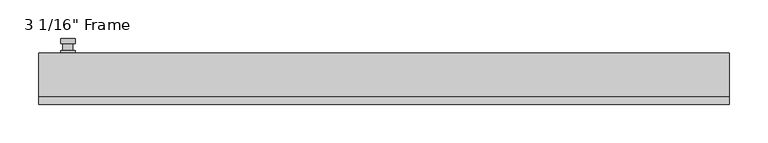
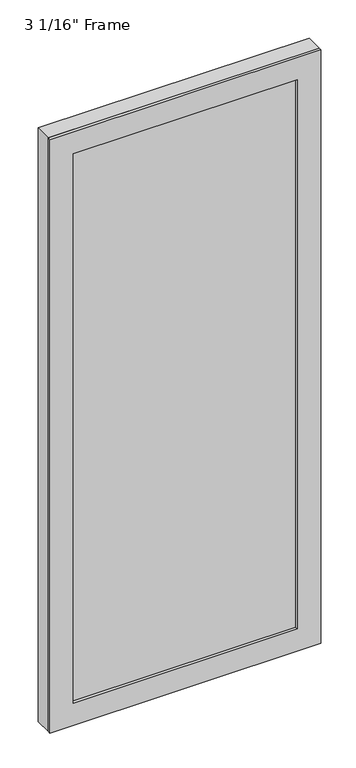
"""IFC4 building model written with IfcOpenShell, lengths in millimetres: plate geometry."""

from ifc_helpers import new_model, si_unit, frame, origin, place, context, project, spatial, polyline, circle_curve, outline, extrude, faceted_brep, source, transform, mapped, element, save
from ifc_brep_helpers import plane_surface, cylinder_surface, advanced_brep


def plate_1c948141(model_context):
    return source(origin(), model_context, "Body", "SolidModel", [
        advanced_brep(
        [(-400.685, 33.3375, 927.1), (-419.735, 33.3375, 927.1), (-419.735, 33.3375, 901.7), (-400.685, 33.3375, 901.7), (-403.86, 46.0375, 914.4), (-403.86, 36.5125, 914.4), (-416.56, 36.5125, 914.4), (-416.56, 46.0375, 914.4), (-400.685, 46.0375, 914.4), (-419.735, 46.0375, 914.4), (-416.5559644, 46.0375, 825.2736467), (-403.8640356, 46.0375, 825.2736467), (-400.685, 52.3875, 914.4), (-403.8640356, 52.3875, 825.2736467), (-416.5559644, 52.3875, 825.2736467), (-419.735, 52.3875, 914.4), (-400.685, 36.5125, 927.1), (-400.685, 36.5125, 901.7), (-419.735, 36.5125, 901.7), (-419.735, 36.5125, 927.1)],
        [
            (0, 1, circle_curve(frame((-410.21, 33.3375, 927.1), z_axis=(0.0, -1.0, 0.0), x_axis=(-1.0, 0.0, 0.0)), 9.525)),
            (1, 2),
            (2, 3, circle_curve(frame((-410.21, 33.3375, 901.7), z_axis=(0.0, -1.0, 0.0), x_axis=(-1.0, 0.0, 0.0)), 9.525)),
            (3, 0),
            (4, 5),
            (5, 6, circle_curve(frame((-410.21, 36.5125, 914.4), z_axis=(0.0, 1.0, 0.0), x_axis=(-1.0, 0.0, 0.0)), 6.35)),
            (6, 7),
            (7, 4, circle_curve(frame((-410.21, 46.0375, 914.4), z_axis=(0.0, -1.0, 0.0), x_axis=(-1.0, 0.0, 0.0)), 6.35)),
            (6, 5, circle_curve(frame((-410.21, 36.5125, 914.4), z_axis=(0.0, 1.0, 0.0), x_axis=(-1.0, 0.0, 0.0)), 6.35)),
            (4, 7, circle_curve(frame((-410.21, 46.0375, 914.4), z_axis=(0.0, -1.0, 0.0), x_axis=(-1.0, 0.0, 0.0)), 6.35)),
            (8, 9, circle_curve(frame((-410.21, 46.0375, 914.4), z_axis=(0.0, -1.0, 0.0), x_axis=(-1.0, 0.0, 0.0)), 9.525)),
            (9, 10),
            (10, 11, circle_curve(frame((-410.21, 46.0375, 825.5), z_axis=(0.0, -1.0, 0.0), x_axis=(-1.0, 0.0, 0.0)), 6.35)),
            (11, 8),
            (12, 13),
            (13, 14, circle_curve(frame((-410.21, 52.3875, 825.5), z_axis=(0.0, 1.0, 0.0), x_axis=(-1.0, 0.0, 0.0)), 6.35)),
            (14, 15),
            (15, 12, circle_curve(frame((-410.21, 52.3875, 914.4), z_axis=(0.0, 1.0, 0.0), x_axis=(-1.0, 0.0, 0.0)), 9.525)),
            (11, 13),
            (12, 8),
            (10, 14),
            (9, 15),
            (16, 17),
            (17, 18, circle_curve(frame((-410.21, 36.5125, 901.7), z_axis=(0.0, 1.0, 0.0), x_axis=(-1.0, 0.0, 0.0)), 9.525)),
            (18, 19),
            (19, 16, circle_curve(frame((-410.21, 36.5125, 927.1), z_axis=(0.0, 1.0, 0.0), x_axis=(-1.0, 0.0, 0.0)), 9.525)),
            (3, 17),
            (16, 0),
            (2, 18),
            (1, 19),
        ],
        [
            plane_surface(frame((-416.56, 33.3375, 914.4), z_axis=(0.0, -1.0, 0.0), x_axis=(0.0, 0.0, 1.0))),
            cylinder_surface(frame((-410.21, 46.0375, 914.4), z_axis=(0.0, -1.0, 0.0), x_axis=(-1.0, 0.0, 0.0)), 6.35),
            plane_surface(frame((-400.685, 46.0375, 914.4), z_axis=(0.0, -1.0000000000000002, 0.0), x_axis=(-0.03564619348186888, 0.0, -0.9993644724975235))),
            plane_surface(frame((-400.685, 52.3875, 914.4), z_axis=(0.0, 1.0000000000000002, 0.0), x_axis=(0.03564619348186888, 0.0, 0.9993644724975235))),
            plane_surface(frame((-400.685, 46.0375, 914.4), z_axis=(0.9993644724975235, 0.0, -0.03564619348186888), x_axis=(0.0, 1.0, 0.0))),
            cylinder_surface(frame((-410.21, 52.3875, 825.5), z_axis=(0.0, -1.0, 0.0), x_axis=(-1.0, 0.0, 0.0)), 6.35),
            plane_surface(frame((-416.5559644, 46.0375, 825.2736467), z_axis=(-0.9993644724975228, 0.0, -0.03564619348188612), x_axis=(0.0, 1.0, 0.0))),
            cylinder_surface(frame((-410.21, 52.3875, 914.4), z_axis=(0.0, -1.0, 0.0), x_axis=(-1.0, 0.0, 0.0)), 9.525),
            plane_surface(frame((-400.685, 36.5125, 901.7), z_axis=(0.0, 1.0, 0.0), x_axis=(0.0, 0.0, 1.0))),
            plane_surface(frame((-400.685, 33.3375, 927.1), z_axis=(1.0, 0.0, 0.0), x_axis=(0.0, 1.0, 0.0))),
            cylinder_surface(frame((-410.21, 36.5125, 901.7), z_axis=(0.0, -1.0, 0.0), x_axis=(-1.0, 0.0, 0.0)), 9.525),
            plane_surface(frame((-419.735, 33.3375, 901.7), z_axis=(-1.0, 0.0, 0.0), x_axis=(0.0, 1.0, 0.0))),
            cylinder_surface(frame((-410.21, 36.5125, 927.1), z_axis=(0.0, -1.0, 0.0), x_axis=(-1.0, 0.0, 0.0)), 9.525),
        ],
        [
            (0, [[1, 2, 3, 4]]),
            (1, [[5, 6, 7, 8]]),
            (1, [[-7, 9, -5, 10]]),
            (2, [[11, 12, 13, 14], [-10, -8]]),
            (3, [[15, 16, 17, 18]]),
            (4, [[19, -15, 20, -14]]),
            (5, [[21, -16, -19, -13]]),
            (6, [[22, -17, -21, -12]]),
            (7, [[-20, -18, -22, -11]]),
            (8, [[23, 24, 25, 26], [-9, -6]]),
            (9, [[27, -23, 28, -4]]),
            (10, [[29, -24, -27, -3]]),
            (11, [[30, -25, -29, -2]]),
            (12, [[-28, -26, -30, -1]]),
        ],
    ),
        extrude(outline(polyline([(0.0, 448.31), (2076.45, 448.31), (2076.45, -448.31), (0.0, -448.31), (0.0, 448.31)]), holes=[polyline([(1998.6625, -370.5225), (1998.6625, 370.5225), (77.7875, 370.5225), (77.7875, -370.5225), (1998.6625, -370.5225)])]), frame((0.0, -33.3375, 0.0), z_axis=(0.0, 1.0, 0.0), x_axis=(0.0, 0.0, 1.0)), (0.0, 0.0, 1.0), 9.525),
        faceted_brep([(-448.31, 33.3375, 0.0), (448.31, 33.3375, 0.0), (448.31, -23.8125, 0.0), (-448.31, -23.8125, 0.0), (-448.31, -23.8125, 2076.45), (-448.31, 33.3375, 2076.45), (448.31, -23.8125, 2076.45), (-383.2225, -23.8125, 2011.3625), (383.2225, -23.8125, 2011.3625), (383.2225, -23.8125, 65.0875), (-383.2225, -23.8125, 65.0875), (-383.2225, 0.0, 65.0875), (-383.2225, 0.0, 2011.3625), (383.2225, 0.0, 65.0875), (383.2225, 0.0, 2011.3625), (-370.5225, 0.0, 1998.6625), (370.5225, 0.0, 1998.6625), (370.5225, 0.0, 77.7875), (-370.5225, 0.0, 77.7875), (-376.8725, 33.3375, 71.4375), (-376.8725, 33.3375, 2005.0125), (448.31, 33.3375, 2076.45), (376.8725, 33.3375, 2005.0125), (376.8725, 33.3375, 71.4375)], [[[0, 1, 2, 3]], [[3, 4, 5, 0]], [[2, 6, 4, 3], [7, 8, 9, 10]], [[7, 10, 11, 12]], [[12, 11, 13, 14], [15, 16, 17, 18]], [[15, 18, 19, 20]], [[5, 21, 1, 0], [22, 20, 19, 23]], [[4, 6, 21, 5]], [[7, 12, 14, 8]], [[15, 20, 22, 16]], [[2, 1, 21, 6]], [[13, 9, 8, 14]], [[22, 23, 17, 16]], [[19, 18, 17, 23]], [[9, 13, 11, 10]]]),
        extrude(outline(polyline([(383.2225, 0.0), (383.2225, -23.8125), (-383.2225, -23.8125), (-383.2225, 0.0), (383.2225, 0.0)])), frame((0.0, 0.0, 65.0875), z_axis=(0.0, 0.0, 1.0), x_axis=(1.0, 0.0, 0.0)), (0.0, 0.0, 1.0), 1946.275),
    ])


if __name__ == "__main__":
    model = new_model("IFC4")
    model_context = context("Model", 3, world=origin())
    ifc_project = project(units=[si_unit("LENGTHUNIT", "METRE", prefix="MILLI")], contexts=[model_context])
    site = spatial("IfcSite", under=ifc_project)
    building = spatial("IfcBuilding", under=site)
    placement = place(None, origin())
    plate_shape = plate_1c948141(model_context)
    element("IfcPlate", 1, ObjectType="3 1/16\" Frame", at=placement, inside=building, context=model_context, shape_type="MappedRepresentation", body=[
        mapped(plate_shape, transform((0.0, 0.0, 0.0), x_axis=(1.0, 0.0, 0.0), y_axis=(0.0, 1.0, 0.0), z_axis=(0.0, 0.0, 1.0))),
    ])
    save(model, "model.ifc")
